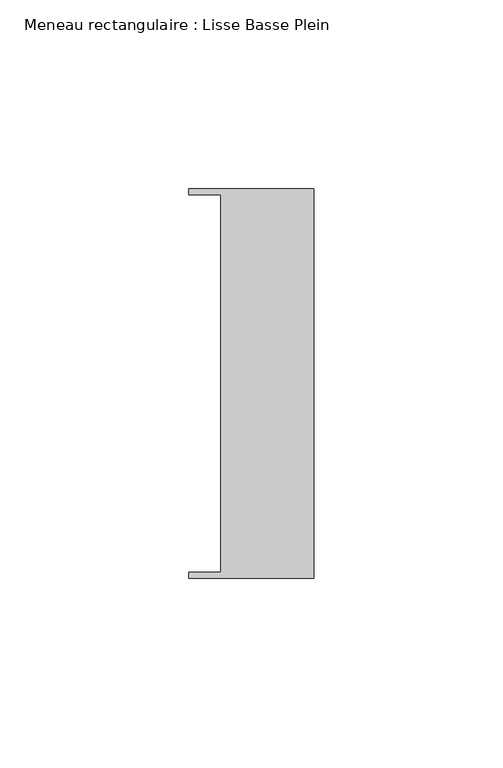
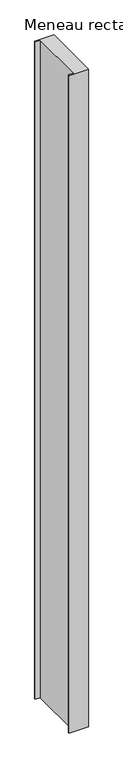
"""IFC4 building model written with IfcOpenShell, lengths in millimetres: member geometry, Meneau rectangulaire : Lisse Basse Plein."""

from ifc_helpers import new_model, si_unit, frame, origin, place, context, project, spatial, polyline, outline, extrude, source, transform, mapped, element, save


def meneau_rectangulaire_lisse_basse_plein_17072784(model_context):
    return source(origin(), model_context, "Body", "SweptSolid", [
        extrude(outline(polyline([(0.0, -51.5026203), (-33.0710396, -51.5026203), (-33.0710396, -49.9505686), (-24.7130865, -49.9505686), (-24.7130865, 49.9505686), (-33.0710396, 49.9505686), (-33.0710396, 51.5026203), (0.0, 51.5026203), (0.0, -51.5026203)])), frame((0.0, 0.0, -1199.2000003), z_axis=(0.0, 0.0, 1.0), x_axis=(1.0, 0.0, 0.0)), (0.0, 0.0, 1.0), 1199.2000003),
    ])


if __name__ == "__main__":
    model = new_model("IFC4")
    model_context = context("Model", 3, world=origin())
    ifc_project = project(units=[si_unit("LENGTHUNIT", "METRE", prefix="MILLI")], contexts=[model_context])
    site = spatial("IfcSite", under=ifc_project)
    building = spatial("IfcBuilding", under=site)
    placement = place(None, origin())
    meneau_rectangulaire_lisse_basse_plein_shape = meneau_rectangulaire_lisse_basse_plein_17072784(model_context)
    element("IfcMember", 1, ObjectType="Meneau rectangulaire : Lisse Basse Plein", at=placement, inside=building, context=model_context, shape_type="MappedRepresentation", body=[
        mapped(meneau_rectangulaire_lisse_basse_plein_shape, transform((0.0, 0.0, 0.0), x_axis=(1.0, 0.0, 0.0), y_axis=(0.0, 1.0, 0.0), z_axis=(0.0, 0.0, 1.0))),
    ])
    save(model, "model.ifc")
